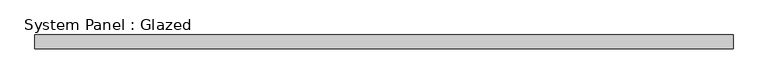
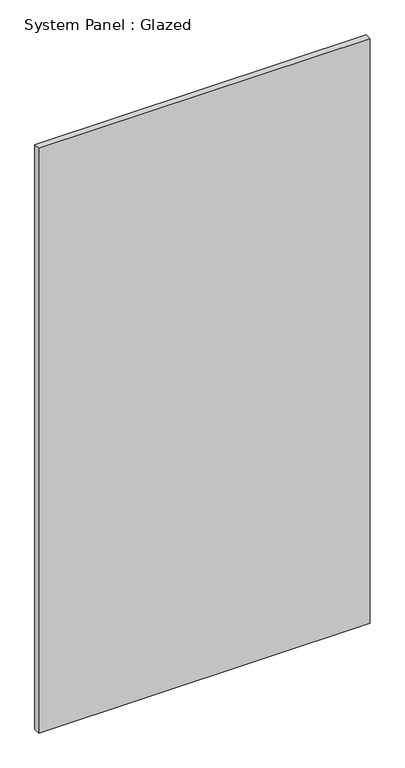
"""IFC4 building model written with IfcOpenShell, lengths in millimetres: plate geometry, System Panel : Glazed."""

from ifc_helpers import new_model, si_unit, origin, origin_with_axes, place, context, project, spatial, polyline, outline, extrude, source, transform, mapped, element, save


def system_panel_glazed_86aee67e(model_context):
    return source(origin(), model_context, "Body", "SweptSolid", [
        extrude(outline(polyline([(645.7083333, -44.45), (-645.7083333, -44.45), (-645.7083333, -19.05), (645.7083333, -19.05), (645.7083333, -44.45)])), origin_with_axes(), (0.0, 0.0, 1.0), 2406.65),
    ])


if __name__ == "__main__":
    model = new_model("IFC4")
    model_context = context("Model", 3, world=origin())
    ifc_project = project(units=[si_unit("LENGTHUNIT", "METRE", prefix="MILLI")], contexts=[model_context])
    site = spatial("IfcSite", under=ifc_project)
    building = spatial("IfcBuilding", under=site)
    placement = place(None, origin())
    system_panel_glazed_shape = system_panel_glazed_86aee67e(model_context)
    element("IfcPlate", 1, ObjectType="System Panel : Glazed", at=placement, inside=building, context=model_context, shape_type="MappedRepresentation", body=[
        mapped(system_panel_glazed_shape, transform((0.0, 0.0, 0.0), x_axis=(1.0, 0.0, 0.0), y_axis=(0.0, 1.0, 0.0), z_axis=(0.0, 0.0, 1.0))),
    ])
    save(model, "model.ifc")
